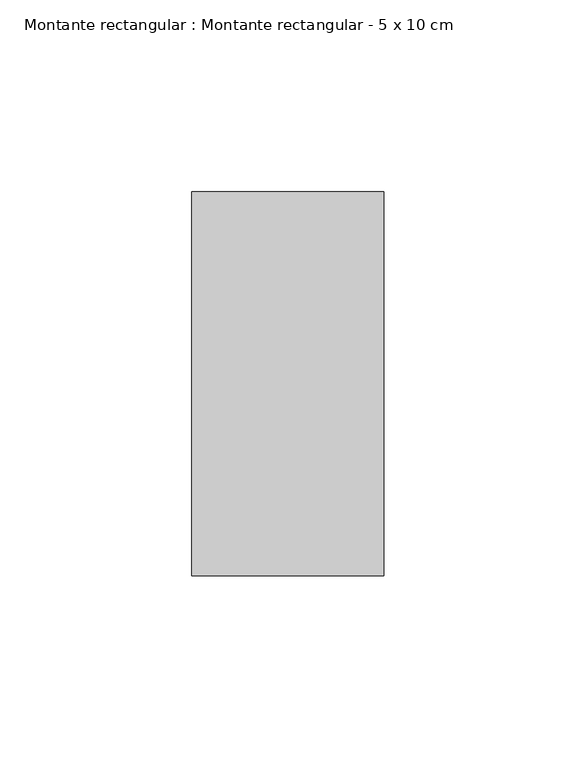
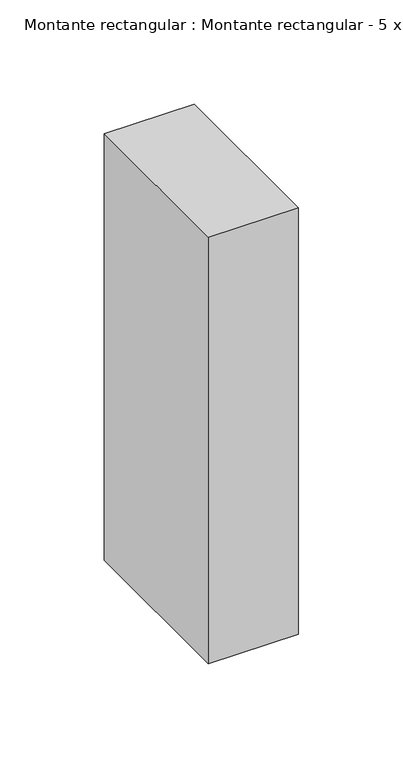
"""IFC4 building model written with IfcOpenShell, lengths in millimetres: member geometry, Montante rectangular : Montante rectangular - 5 x 10 cm."""

from ifc_helpers import new_model, si_unit, frame, origin, place, context, project, spatial, polyline, outline, extrude, source, transform, mapped, element, save


def montante_rectangular_montante_rectangular_5_x_10_cm_3c681938(model_context):
    return source(origin(), model_context, "Body", "SweptSolid", [
        extrude(outline(polyline([(-50.0, 50.0), (0.0, 50.0), (0.0, -50.0), (-50.0, -50.0), (-50.0, 50.0)])), frame((0.0, 0.0, -250.0), z_axis=(0.0, 0.0, 1.0), x_axis=(1.0, 0.0, 0.0)), (0.0, 0.0, 1.0), 250.0),
    ])


if __name__ == "__main__":
    model = new_model("IFC4")
    model_context = context("Model", 3, world=origin())
    ifc_project = project(units=[si_unit("LENGTHUNIT", "METRE", prefix="MILLI")], contexts=[model_context])
    site = spatial("IfcSite", under=ifc_project)
    building = spatial("IfcBuilding", under=site)
    placement = place(None, origin())
    montante_rectangular_montante_rectangular_5_x_10_cm_shape = montante_rectangular_montante_rectangular_5_x_10_cm_3c681938(model_context)
    element("IfcMember", 1, ObjectType="Montante rectangular : Montante rectangular - 5 x 10 cm", at=placement, inside=building, context=model_context, shape_type="MappedRepresentation", body=[
        mapped(montante_rectangular_montante_rectangular_5_x_10_cm_shape, transform((0.0, 0.0, 0.0), x_axis=(1.0, 0.0, 0.0), y_axis=(0.0, 1.0, 0.0), z_axis=(0.0, 0.0, 1.0))),
    ])
    save(model, "model.ifc")
